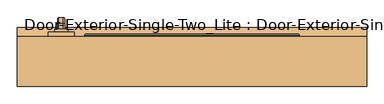
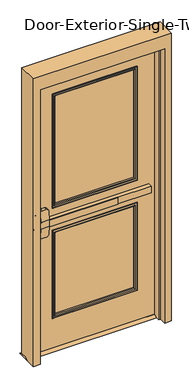
"""IFC4 building model written with IfcOpenShell, lengths in millimetres: door geometry, Door-Exterior-Single-Two_Lite : Door-Exterior-Single-Two_Lite."""

from ifc_helpers import new_model, si_unit, point, frame, frame_2d, origin, place, context, project, spatial, polyline, circle_curve, ellipse_curve, trimmed, segment, composite_curve, outline, extrude, faceted_brep, source, transform, mapped, element, save
from ifc_brep_helpers import plane_surface, cylinder_surface, revolved_surface, advanced_brep


def door_exterior_single_two_lite_door_exterior_single_two_lite_ed95932a(model_context):
    return source(origin(), model_context, "Body", "SolidModel", [
        extrude(outline(polyline([(112.7125, 12.7), (157.1625, 12.7), (182.5625, 0.0), (87.3125, 0.0), (112.7125, 12.7)])), frame((-508.0, 0.0, 0.0), z_axis=(1.0, 0.0, 0.0), x_axis=(0.0, 1.0, 0.0)), (0.0, 0.0, 1.0), 1016.0),
        extrude(outline(polyline([(150.2833333, 74.6125), (-349.25, 74.6125), (-349.25, 80.9625), (150.2833333, 80.9625), (150.2833333, 74.6125)])), frame((0.0, 0.0, 990.6), z_axis=(0.0, 0.0, 1.0), x_axis=(1.0, 0.0, 0.0)), (0.0, 0.0, 1.0), 50.8),
        advanced_brep(
        [(-412.75, 80.9625, 1041.4), (-412.75, 80.9625, 990.6), (-349.25, 80.9625, 990.6), (400.05, 80.9625, 990.6), (400.05, 80.9625, 1041.4), (-349.25, 80.9625, 1041.4), (400.05, 112.7125, 1041.4), (400.05, 112.7125, 990.6), (-349.25, 112.7125, 990.6), (-349.25, 112.7125, 927.1), (-368.3, 112.7125, 908.05), (-393.7, 112.7125, 908.05), (-412.75, 112.7125, 927.1), (-412.75, 112.7125, 1104.9), (-393.7, 112.7125, 1123.95), (-368.3, 112.7125, 1123.95), (-349.25, 112.7125, 1104.9), (-349.25, 112.7125, 1041.4), (-349.25, 84.1377467, 1041.4), (-412.75, 84.1377467, 1041.4), (-412.75, 89.1479269, 1104.9), (-412.75, 89.1479269, 927.1), (-412.75, 84.1377467, 990.6), (-349.25, 84.1377467, 990.6), (-349.25, 89.1479269, 927.1), (-349.25, 89.1479269, 1104.9), (-393.7, 90.650981, 1123.95), (-368.3, 90.650981, 1123.95), (-368.3, 90.650981, 908.05), (-393.7, 90.650981, 908.05)],
        [
            (0, 1),
            (1, 2),
            (2, 3),
            (3, 4),
            (4, 5),
            (5, 0),
            (6, 7),
            (7, 8),
            (8, 9),
            (9, 10, circle_curve(frame((-368.3, 112.7125, 927.1), z_axis=(0.0, 1.0, 0.0), x_axis=(1.0, 0.0, 0.0)), 19.05)),
            (10, 11),
            (11, 12, circle_curve(frame((-393.7, 112.7125, 927.1), z_axis=(0.0, 1.0, 0.0), x_axis=(1.0, 0.0, 0.0)), 19.05)),
            (12, 13),
            (13, 14, circle_curve(frame((-393.7, 112.7125, 1104.9), z_axis=(0.0, 1.0, 0.0), x_axis=(1.0, 0.0, 0.0)), 19.05)),
            (14, 15),
            (15, 16, circle_curve(frame((-368.3, 112.7125, 1104.9), z_axis=(0.0, 1.0, 0.0), x_axis=(1.0, 0.0, 0.0)), 19.05)),
            (16, 17),
            (17, 6),
            (4, 6),
            (17, 18),
            (18, 19),
            (19, 0),
            (19, 20),
            (20, 13),
            (12, 21),
            (21, 22),
            (22, 1),
            (7, 3),
            (22, 23),
            (23, 8),
            (23, 24),
            (24, 9),
            (16, 25),
            (25, 18),
            (14, 26),
            (26, 27),
            (27, 15),
            (10, 28),
            (28, 29),
            (29, 11),
            (24, 28, ellipse_curve(frame((-368.3, 89.1479269, 927.1), z_axis=(0.0, 0.9969018152893365, 0.07865602756830282), x_axis=(0.0, -0.07865602756830208, 0.9969018152893365)), 19.1092038, 19.05)),
            (27, 25, ellipse_curve(frame((-368.3, 89.1479269, 1104.9), z_axis=(0.0, 0.9969018152893376, -0.07865602756828934), x_axis=(0.0, -0.078656027568288, -0.9969018152893377)), 19.1092038, 19.05)),
            (20, 26, ellipse_curve(frame((-393.7, 89.1479269, 1104.9), z_axis=(0.0, 0.9969018152893376, -0.07865602756828934), x_axis=(0.0, -0.078656027568288, -0.9969018152893377)), 19.1092038, 19.05)),
            (29, 21, ellipse_curve(frame((-393.7, 89.1479269, 927.1), z_axis=(0.0, 0.9969018152893365, 0.07865602756830282), x_axis=(0.0, -0.07865602756830208, 0.9969018152893365)), 19.1092038, 19.05)),
        ],
        [
            plane_surface(frame((-412.75, 80.9625, 1041.4), z_axis=(0.0, -1.0, 0.0), x_axis=(-1.0, 0.0, 0.0))),
            plane_surface(frame((-412.75, 112.7125, 1041.4), z_axis=(0.0, 1.0, 0.0), x_axis=(1.0, 0.0, 0.0))),
            plane_surface(frame((400.05, 80.9625, 1041.4), z_axis=(0.0, 0.0, 1.0), x_axis=(0.0, 1.0, 0.0))),
            plane_surface(frame((-412.75, 80.9625, 1041.4), z_axis=(-1.0, 0.0, 0.0), x_axis=(0.0, 1.0, 0.0))),
            plane_surface(frame((-412.75, 80.9625, 990.6), z_axis=(0.0, 0.0, -1.0), x_axis=(0.0, 1.0, 0.0))),
            plane_surface(frame((400.05, 80.9625, 990.6), z_axis=(1.0, 0.0, 0.0), x_axis=(0.0, 1.0, 0.0))),
            plane_surface(frame((-349.25, 84.1377467, 927.1), z_axis=(1.0, 0.0, 0.0), x_axis=(0.0, 1.0, 0.0))),
            plane_surface(frame((-368.3, 84.1377467, 1123.95), z_axis=(0.0, 0.0, 1.0), x_axis=(0.0, 1.0, 0.0))),
            plane_surface(frame((-393.7, 84.1377467, 908.05), z_axis=(0.0, 0.0, -1.0), x_axis=(0.0, 1.0, 0.0))),
            cylinder_surface(frame((-368.3, 112.7125, 927.1), z_axis=(0.0, -1.0, 0.0), x_axis=(1.0, 0.0, 0.0)), 19.05),
            cylinder_surface(frame((-368.3, 112.7125, 1104.9), z_axis=(0.0, -1.0, 0.0), x_axis=(1.0, 0.0, 0.0)), 19.05),
            cylinder_surface(frame((-393.7, 112.7125, 1104.9), z_axis=(0.0, -1.0, 0.0), x_axis=(1.0, 0.0, 0.0)), 19.05),
            cylinder_surface(frame((-393.7, 112.7125, 927.1), z_axis=(0.0, -1.0, 0.0), x_axis=(1.0, 0.0, 0.0)), 19.05),
            plane_surface(frame((-349.25, 84.1377467, 1041.4), z_axis=(0.0, -0.9969018152893376, 0.07865602756828934), x_axis=(-1.0, 0.0, 0.0))),
            plane_surface(frame((-349.25, 90.650981, 908.05), z_axis=(0.0, -0.9969018152893365, -0.07865602756830282), x_axis=(-1.0, 0.0, 0.0))),
        ],
        [
            (0, [[1, 2, 3, 4, 5, 6]]),
            (1, [[7, 8, 9, 10, 11, 12, 13, 14, 15, 16, 17, 18]]),
            (2, [[19, -18, 20, 21, 22, -6, -5]]),
            (3, [[-1, -22, 23, 24, -13, 25, 26, 27]]),
            (4, [[28, -3, -2, -27, 29, 30, -8]]),
            (5, [[-4, -28, -7, -19]]),
            (6, [[-9, -30, 31, 32]]),
            (6, [[-17, 33, 34, -20]]),
            (7, [[-15, 35, 36, 37]]),
            (8, [[-11, 38, 39, 40]]),
            (9, [[-10, -32, 41, -38]]),
            (10, [[-16, -37, 42, -33]]),
            (11, [[-14, -24, 43, -35]]),
            (12, [[-12, -40, 44, -25]]),
            (13, [[-21, -34, -42, -36, -43, -23]]),
            (14, [[-26, -44, -39, -41, -31, -29]]),
        ],
    ),
        advanced_brep(
        [(-391.0, 169.8625, 1017.190625), (-391.0, 169.8625, 1014.809375), (-387.428125, 169.8625, 1011.2375), (-374.5715406, 169.8625, 1011.2375), (-371.0, 169.8625, 1014.8090406), (-371.0, 169.8625, 1017.190625), (-374.571875, 169.8625, 1020.7625), (-387.428125, 169.8625, 1020.7625), (-391.0, 169.8625, 887.809375), (-387.428125, 169.8625, 884.2375), (-374.571875, 169.8625, 884.2375), (-371.0, 169.8625, 887.809375), (-371.0, 169.8625, 890.1909594), (-374.5715406, 169.8625, 893.7625), (-387.428125, 169.8625, 893.7625), (-391.0, 169.8625, 890.190625), (-391.0, 195.2625, 1017.190625), (-391.0, 209.153125, 1003.3), (-391.0, 209.153125, 901.7), (-391.0, 195.2625, 887.809375), (-391.0, 195.2625, 890.190625), (-391.0, 206.771875, 901.7), (-391.0, 206.771875, 1003.3), (-391.0, 195.2625, 1014.809375), (-387.428125, 195.2625, 1011.2375), (-374.5715406, 195.2625, 1011.2375), (-371.0, 195.2625, 1014.8090406), (-371.0, 206.7715406, 1003.3), (-371.0, 206.7715406, 901.7), (-371.0, 195.2625, 890.1909594), (-371.0, 195.2625, 887.809375), (-371.0, 209.153125, 901.7), (-371.0, 209.153125, 1003.3), (-371.0, 195.2625, 1017.190625), (-374.571875, 195.2625, 1020.7625), (-387.428125, 195.2625, 1020.7625), (-387.428125, 203.2, 1003.3), (-374.5715406, 203.2, 1003.3), (-374.571875, 212.725, 1003.3), (-387.428125, 212.725, 1003.3), (-387.428125, 203.2, 901.7), (-374.5715406, 203.2, 901.7), (-374.571875, 212.725, 901.7), (-387.428125, 212.725, 901.7), (-387.428125, 195.2625, 893.7625), (-374.5715406, 195.2625, 893.7625), (-374.571875, 195.2625, 884.2375), (-387.428125, 195.2625, 884.2375)],
        [
            (0, 1),
            (1, 2, circle_curve(frame((-387.428125, 169.8625, 1014.809375), z_axis=(0.0, -1.0, 0.0), x_axis=(0.0, 0.0, 1.0)), 3.571875)),
            (2, 3),
            (3, 4, circle_curve(frame((-374.5715406, 169.8625, 1014.8090406), z_axis=(0.0, -1.0, 0.0), x_axis=(0.0, 0.0, 1.0)), 3.5715406)),
            (4, 5),
            (5, 6, circle_curve(frame((-374.571875, 169.8625, 1017.190625), z_axis=(0.0, -1.0, 0.0), x_axis=(0.0, 0.0, 1.0)), 3.571875)),
            (6, 7),
            (7, 0, circle_curve(frame((-387.428125, 169.8625, 1017.190625), z_axis=(0.0, -1.0, 0.0), x_axis=(0.0, 0.0, 1.0)), 3.571875)),
            (8, 9, circle_curve(frame((-387.428125, 169.8625, 887.809375), z_axis=(0.0, -1.0, 0.0), x_axis=(0.0, 0.0, -1.0)), 3.571875)),
            (9, 10),
            (10, 11, circle_curve(frame((-374.571875, 169.8625, 887.809375), z_axis=(0.0, -1.0, 0.0), x_axis=(0.0, 0.0, -1.0)), 3.571875)),
            (11, 12),
            (12, 13, circle_curve(frame((-374.5715406, 169.8625, 890.1909594), z_axis=(0.0, -1.0, 0.0), x_axis=(0.0, 0.0, -1.0)), 3.5715406)),
            (13, 14),
            (14, 15, circle_curve(frame((-387.428125, 169.8625, 890.190625), z_axis=(0.0, -1.0, 0.0), x_axis=(0.0, 0.0, -1.0)), 3.571875)),
            (15, 8),
            (0, 16),
            (16, 17, circle_curve(frame((-391.0, 195.2625, 1003.3), z_axis=(-1.0, 0.0, 0.0), x_axis=(0.0, 0.0, 1.0)), 13.890625)),
            (17, 18),
            (18, 19, circle_curve(frame((-391.0, 195.2625, 901.7), z_axis=(-1.0, 0.0, 0.0), x_axis=(0.0, 1.0, 0.0)), 13.890625)),
            (19, 8),
            (15, 20),
            (20, 21, circle_curve(frame((-391.0, 195.2625, 901.7), z_axis=(1.0, 0.0, 0.0), x_axis=(0.0, 1.0, 0.0)), 11.509375)),
            (21, 22),
            (22, 23, circle_curve(frame((-391.0, 195.2625, 1003.3), z_axis=(1.0, 0.0, 0.0), x_axis=(0.0, 0.0, 1.0)), 11.509375)),
            (23, 1),
            (23, 24, circle_curve(frame((-387.428125, 195.2625, 1014.809375), z_axis=(0.0, -1.0, 0.0), x_axis=(0.0, 0.0, 1.0)), 3.571875)),
            (24, 2),
            (24, 25),
            (25, 3),
            (25, 26, circle_curve(frame((-374.5715406, 195.2625, 1014.8090406), z_axis=(0.0, -1.0, 0.0), x_axis=(0.0, 0.0, 1.0)), 3.5715406)),
            (26, 4),
            (26, 27, circle_curve(frame((-371.0, 195.2625, 1003.3), z_axis=(-1.0, 0.0, 0.0), x_axis=(0.0, 0.0, 1.0)), 11.5090406)),
            (27, 28),
            (28, 29, circle_curve(frame((-371.0, 195.2625, 901.7), z_axis=(-1.0, 0.0, 0.0), x_axis=(0.0, 1.0, 0.0)), 11.5090406)),
            (29, 12),
            (11, 30),
            (30, 31, circle_curve(frame((-371.0, 195.2625, 901.7), z_axis=(1.0, 0.0, 0.0), x_axis=(0.0, 1.0, 0.0)), 13.890625)),
            (31, 32),
            (32, 33, circle_curve(frame((-371.0, 195.2625, 1003.3), z_axis=(1.0, 0.0, 0.0), x_axis=(0.0, 0.0, 1.0)), 13.890625)),
            (33, 5),
            (33, 34, circle_curve(frame((-374.571875, 195.2625, 1017.190625), z_axis=(0.0, -1.0, 0.0), x_axis=(0.0, 0.0, 1.0)), 3.571875)),
            (34, 6),
            (34, 35),
            (35, 7),
            (35, 16, circle_curve(frame((-387.428125, 195.2625, 1017.190625), z_axis=(0.0, -1.0, 0.0), x_axis=(0.0, 0.0, 1.0)), 3.571875)),
            (36, 24, circle_curve(frame((-387.428125, 195.2625, 1003.3), z_axis=(1.0, 0.0, 0.0), x_axis=(0.0, 0.0, 1.0)), 7.9375)),
            (22, 36, circle_curve(frame((-387.428125, 206.771875, 1003.3), z_axis=(0.0, 0.0, 1.0), x_axis=(0.0, 1.0, 0.0)), 3.571875)),
            (37, 25, circle_curve(frame((-374.5715406, 195.2625, 1003.3), z_axis=(1.0, 0.0, 0.0), x_axis=(0.0, 0.0, 1.0)), 7.9375)),
            (36, 37),
            (37, 27, circle_curve(frame((-374.5715406, 206.7715406, 1003.3), z_axis=(0.0, 0.0, 1.0), x_axis=(0.0, 1.0, 0.0)), 3.5715406)),
            (38, 34, circle_curve(frame((-374.571875, 195.2625, 1003.3), z_axis=(1.0, 0.0, 0.0), x_axis=(0.0, 0.0, 1.0)), 17.4625)),
            (32, 38, circle_curve(frame((-374.571875, 209.153125, 1003.3), z_axis=(0.0, 0.0, 1.0), x_axis=(0.0, 1.0, 0.0)), 3.571875)),
            (39, 35, circle_curve(frame((-387.428125, 195.2625, 1003.3), z_axis=(1.0, 0.0, 0.0), x_axis=(0.0, 0.0, 1.0)), 17.4625)),
            (38, 39),
            (39, 17, circle_curve(frame((-387.428125, 209.153125, 1003.3), z_axis=(0.0, 0.0, 1.0), x_axis=(0.0, 1.0, 0.0)), 3.571875)),
            (21, 40, circle_curve(frame((-387.428125, 206.771875, 901.7), z_axis=(0.0, 0.0, 1.0), x_axis=(0.0, 1.0, 0.0)), 3.571875)),
            (40, 36),
            (40, 41),
            (41, 37),
            (41, 28, circle_curve(frame((-374.5715406, 206.7715406, 901.7), z_axis=(0.0, 0.0, 1.0), x_axis=(0.0, 1.0, 0.0)), 3.5715406)),
            (31, 42, circle_curve(frame((-374.571875, 209.153125, 901.7), z_axis=(0.0, 0.0, 1.0), x_axis=(0.0, 1.0, 0.0)), 3.571875)),
            (42, 38),
            (42, 43),
            (43, 39),
            (43, 18, circle_curve(frame((-387.428125, 209.153125, 901.7), z_axis=(0.0, 0.0, 1.0), x_axis=(0.0, 1.0, 0.0)), 3.571875)),
            (44, 40, circle_curve(frame((-387.428125, 195.2625, 901.7), z_axis=(1.0, 0.0, 0.0), x_axis=(0.0, 1.0, 0.0)), 7.9375)),
            (20, 44, circle_curve(frame((-387.428125, 195.2625, 890.190625), z_axis=(0.0, 1.0, 0.0), x_axis=(0.0, 0.0, -1.0)), 3.571875)),
            (45, 41, circle_curve(frame((-374.5715406, 195.2625, 901.7), z_axis=(1.0, 0.0, 0.0), x_axis=(0.0, 1.0, 0.0)), 7.9375)),
            (44, 45),
            (45, 29, circle_curve(frame((-374.5715406, 195.2625, 890.1909594), z_axis=(0.0, 1.0, 0.0), x_axis=(0.0, 0.0, -1.0)), 3.5715406)),
            (46, 42, circle_curve(frame((-374.571875, 195.2625, 901.7), z_axis=(1.0, 0.0, 0.0), x_axis=(0.0, 1.0, 0.0)), 17.4625)),
            (30, 46, circle_curve(frame((-374.571875, 195.2625, 887.809375), z_axis=(0.0, 1.0, 0.0), x_axis=(0.0, 0.0, -1.0)), 3.571875)),
            (47, 43, circle_curve(frame((-387.428125, 195.2625, 901.7), z_axis=(1.0, 0.0, 0.0), x_axis=(0.0, 1.0, 0.0)), 17.4625)),
            (46, 47),
            (47, 19, circle_curve(frame((-387.428125, 195.2625, 887.809375), z_axis=(0.0, 1.0, 0.0), x_axis=(0.0, 0.0, -1.0)), 3.571875)),
            (14, 44),
            (13, 45),
            (10, 46),
            (9, 47),
        ],
        [
            plane_surface(frame((-381.0, 169.8625, 1016.0), z_axis=(0.0, -1.0, 0.0), x_axis=(1.0, 0.0, 0.0))),
            plane_surface(frame((-381.0, 169.8625, 889.0), z_axis=(0.0, -1.0, 0.0), x_axis=(1.0, 0.0, 0.0))),
            plane_surface(frame((-391.0, 169.8625, 1017.190625), z_axis=(-1.0, 0.0, 0.0), x_axis=(0.0, 1.0, 0.0))),
            cylinder_surface(frame((-387.428125, 169.8625, 1014.809375), z_axis=(0.0, -1.0, 0.0), x_axis=(0.0, 0.0, 1.0)), 3.571875),
            plane_surface(frame((-387.428125, 169.8625, 1011.2375), z_axis=(0.0, 0.0, -1.0), x_axis=(0.0, 1.0, 0.0))),
            cylinder_surface(frame((-374.5715406, 169.8625, 1014.8090406), z_axis=(0.0, -1.0, 0.0), x_axis=(0.0, 0.0, 1.0)), 3.5715406),
            plane_surface(frame((-371.0, 169.8625, 1014.8090406), z_axis=(1.0, 0.0, 0.0), x_axis=(0.0, 1.0, 0.0))),
            cylinder_surface(frame((-374.571875, 169.8625, 1017.190625), z_axis=(0.0, -1.0, 0.0), x_axis=(0.0, 0.0, 1.0)), 3.571875),
            plane_surface(frame((-374.571875, 169.8625, 1020.7625), z_axis=(0.0, 0.0, 1.0), x_axis=(0.0, 1.0, 0.0))),
            cylinder_surface(frame((-387.428125, 169.8625, 1017.190625), z_axis=(0.0, -1.0, 0.0), x_axis=(0.0, 0.0, 1.0)), 3.571875),
            revolved_surface(trimmed(ellipse_curve(frame((-387.428125, 195.2625, 1014.809375), z_axis=(0.0, -1.0, 0.0), x_axis=(0.0, 0.0, 1.0)), 3.571875, 3.571875), [point((-391.0, 195.2625, 1014.809375))], [point((-387.428125, 195.2625, 1011.2375))], True, "CARTESIAN"), (-381.0, 195.2625, 1003.3), (-1.0, 0.0, 0.0)),
            revolved_surface(polyline([(-387.428125, 195.2625, 1011.2375), (-374.5715406, 195.2625, 1011.2375)]), (-381.0, 195.2625, 1003.3), (-1.0, 0.0, 0.0)),
            revolved_surface(trimmed(ellipse_curve(frame((-374.5715406, 195.2625, 1014.8090406), z_axis=(0.0, -1.0, 0.0), x_axis=(0.0, 0.0, 1.0)), 3.5715406, 3.5715406), [point((-374.5715406, 195.2625, 1011.2375))], [point((-371.0, 195.2625, 1014.8090406))], True, "CARTESIAN"), (-381.0, 195.2625, 1003.3), (-1.0, 0.0, 0.0)),
            revolved_surface(trimmed(ellipse_curve(frame((-374.571875, 195.2625, 1017.190625), z_axis=(0.0, -1.0, 0.0), x_axis=(0.0, 0.0, 1.0)), 3.571875, 3.571875), [point((-371.0, 195.2625, 1017.190625))], [point((-374.571875, 195.2625, 1020.7625))], True, "CARTESIAN"), (-381.0, 195.2625, 1003.3), (-1.0, 0.0, 0.0)),
            cylinder_surface(frame((-381.0, 195.2625, 1003.3), z_axis=(-1.0, 0.0, 0.0), x_axis=(0.0, 0.0, 1.0)), 17.4625),
            revolved_surface(trimmed(ellipse_curve(frame((-387.428125, 195.2625, 1017.190625), z_axis=(0.0, -1.0, 0.0), x_axis=(0.0, 0.0, 1.0)), 3.571875, 3.571875), [point((-387.428125, 195.2625, 1020.7625))], [point((-391.0, 195.2625, 1017.190625))], True, "CARTESIAN"), (-381.0, 195.2625, 1003.3), (-1.0, 0.0, 0.0)),
            cylinder_surface(frame((-387.428125, 206.771875, 1003.3), z_axis=(0.0, 0.0, 1.0), x_axis=(0.0, 1.0, 0.0)), 3.571875),
            plane_surface(frame((-387.428125, 203.2, 1003.3), z_axis=(0.0, -1.0, 0.0), x_axis=(0.0, 0.0, -1.0))),
            cylinder_surface(frame((-374.5715406, 206.7715406, 1003.3), z_axis=(0.0, 0.0, 1.0), x_axis=(0.0, 1.0, 0.0)), 3.5715406),
            cylinder_surface(frame((-374.571875, 209.153125, 1003.3), z_axis=(0.0, 0.0, 1.0), x_axis=(0.0, 1.0, 0.0)), 3.571875),
            plane_surface(frame((-374.571875, 212.725, 1003.3), z_axis=(0.0, 1.0, 0.0), x_axis=(0.0, 0.0, -1.0))),
            cylinder_surface(frame((-387.428125, 209.153125, 1003.3), z_axis=(0.0, 0.0, 1.0), x_axis=(0.0, 1.0, 0.0)), 3.571875),
            revolved_surface(trimmed(ellipse_curve(frame((-387.428125, 206.771875, 901.7), z_axis=(0.0, 0.0, 1.0), x_axis=(0.0, 1.0, 0.0)), 3.571875, 3.571875), [point((-391.0, 206.771875, 901.7))], [point((-387.428125, 203.2, 901.7))], True, "CARTESIAN"), (-381.0, 195.2625, 901.7), (-1.0, 0.0, 0.0)),
            revolved_surface(polyline([(-387.428125, 203.2, 901.7), (-374.5715406, 203.2, 901.7)]), (-381.0, 195.2625, 901.7), (-1.0, 0.0, 0.0)),
            revolved_surface(trimmed(ellipse_curve(frame((-374.5715406, 206.7715406, 901.7), z_axis=(0.0, 0.0, 1.0), x_axis=(0.0, 1.0, 0.0)), 3.5715406, 3.5715406), [point((-374.5715406, 203.2, 901.7))], [point((-371.0, 206.7715406, 901.7))], True, "CARTESIAN"), (-381.0, 195.2625, 901.7), (-1.0, 0.0, 0.0)),
            revolved_surface(trimmed(ellipse_curve(frame((-374.571875, 209.153125, 901.7), z_axis=(0.0, 0.0, 1.0), x_axis=(0.0, 1.0, 0.0)), 3.571875, 3.571875), [point((-371.0, 209.153125, 901.7))], [point((-374.571875, 212.725, 901.7))], True, "CARTESIAN"), (-381.0, 195.2625, 901.7), (-1.0, 0.0, 0.0)),
            cylinder_surface(frame((-381.0, 195.2625, 901.7), z_axis=(-1.0, 0.0, 0.0), x_axis=(0.0, 1.0, 0.0)), 17.4625),
            revolved_surface(trimmed(ellipse_curve(frame((-387.428125, 209.153125, 901.7), z_axis=(0.0, 0.0, 1.0), x_axis=(0.0, 1.0, 0.0)), 3.571875, 3.571875), [point((-387.428125, 212.725, 901.7))], [point((-391.0, 209.153125, 901.7))], True, "CARTESIAN"), (-381.0, 195.2625, 901.7), (-1.0, 0.0, 0.0)),
            cylinder_surface(frame((-387.428125, 195.2625, 890.190625), z_axis=(0.0, 1.0, 0.0), x_axis=(0.0, 0.0, -1.0)), 3.571875),
            plane_surface(frame((-387.428125, 195.2625, 893.7625), z_axis=(0.0, 0.0, 1.0), x_axis=(0.0, -1.0, 0.0))),
            cylinder_surface(frame((-374.5715406, 195.2625, 890.1909594), z_axis=(0.0, 1.0, 0.0), x_axis=(0.0, 0.0, -1.0)), 3.5715406),
            cylinder_surface(frame((-374.571875, 195.2625, 887.809375), z_axis=(0.0, 1.0, 0.0), x_axis=(0.0, 0.0, -1.0)), 3.571875),
            plane_surface(frame((-374.571875, 195.2625, 884.2375), z_axis=(0.0, 0.0, -1.0), x_axis=(0.0, -1.0, 0.0))),
            cylinder_surface(frame((-387.428125, 195.2625, 887.809375), z_axis=(0.0, 1.0, 0.0), x_axis=(0.0, 0.0, -1.0)), 3.571875),
        ],
        [
            (0, [[1, 2, 3, 4, 5, 6, 7, 8]]),
            (1, [[9, 10, 11, 12, 13, 14, 15, 16]]),
            (2, [[-1, 17, 18, 19, 20, 21, -16, 22, 23, 24, 25, 26]]),
            (3, [[-2, -26, 27, 28]]),
            (4, [[-3, -28, 29, 30]]),
            (5, [[-4, -30, 31, 32]]),
            (6, [[-5, -32, 33, 34, 35, 36, -12, 37, 38, 39, 40, 41]]),
            (7, [[-6, -41, 42, 43]]),
            (8, [[-7, -43, 44, 45]]),
            (9, [[-8, -45, 46, -17]]),
            (10, [[47, -27, -25, 48]]),
            (11, [[49, -29, -47, 50]]),
            (12, [[-33, -31, -49, 51]]),
            (13, [[52, -42, -40, 53]]),
            (14, [[54, -44, -52, 55]]),
            (15, [[-18, -46, -54, 56]]),
            (16, [[-48, -24, 57, 58]]),
            (17, [[-50, -58, 59, 60]]),
            (18, [[-51, -60, 61, -34]]),
            (19, [[-53, -39, 62, 63]]),
            (20, [[-55, -63, 64, 65]]),
            (21, [[-56, -65, 66, -19]]),
            (22, [[67, -57, -23, 68]]),
            (23, [[69, -59, -67, 70]]),
            (24, [[-35, -61, -69, 71]]),
            (25, [[72, -62, -38, 73]]),
            (26, [[74, -64, -72, 75]]),
            (27, [[-20, -66, -74, 76]]),
            (28, [[-68, -22, -15, 77]]),
            (29, [[-70, -77, -14, 78]]),
            (30, [[-71, -78, -13, -36]]),
            (31, [[-73, -37, -11, 79]]),
            (32, [[-75, -79, -10, 80]]),
            (33, [[-76, -80, -9, -21]]),
        ],
    ),
        extrude(outline(composite_curve([segment(trimmed(circle_curve(frame_2d((1117.6, -381.0)), 19.0), [point((1117.6, -400.0))], [point((1117.6, -362.0))], False, "CARTESIAN"), True, "CONTINUOUS"), segment(trimmed(circle_curve(frame_2d((1117.6, -381.0)), 19.0), [point((1117.6, -362.0))], [point((1117.6, -400.0))], False, "CARTESIAN"), True, "CONTINUOUS")], self_intersect=False)), frame((0.0, 169.8625, 0.0), z_axis=(0.0, 1.0, 0.0), x_axis=(0.0, 0.0, 1.0)), (0.0, 0.0, 1.0), 8.73125),
        extrude(outline(composite_curve([segment(trimmed(circle_curve(frame_2d((1113.0338574, -381.0)), 89.3016225), [point((1193.8, -342.9))], [point((1193.8, -419.1))], False, "CARTESIAN"), True, "CONTINUOUS"), segment(polyline([(1193.8, -419.1), (838.2, -419.1)]), True, "CONTINUOUS"), segment(trimmed(circle_curve(frame_2d((918.9661426, -381.0)), 89.3016225), [point((838.2, -419.1))], [point((838.2, -342.9))], False, "CARTESIAN"), True, "CONTINUOUS"), segment(polyline([(838.2, -342.9), (1193.8, -342.9)]), True, "CONTINUOUS")], self_intersect=False)), frame((0.0, 157.1625, 0.0), z_axis=(0.0, 1.0, 0.0), x_axis=(0.0, 0.0, 1.0)), (0.0, 0.0, 1.0), 12.7),
        faceted_brep([(457.2, 107.95, 0.0), (457.2, 157.1625, 0.0), (508.0, 157.1625, 0.0), (508.0, 11.1125, 0.0), (457.2, 11.1125, 0.0), (457.2, 60.325, 0.0), (441.325, 60.325, 0.0), (441.325, 107.95, 0.0), (457.2, 107.95, 2133.6), (457.2, 157.1625, 2133.6), (-457.2, 157.1625, 2133.6), (-457.2, 157.1625, 0.0), (-508.0, 157.1625, 0.0), (-508.0, 157.1625, 2235.2), (508.0, 157.1625, 2235.2), (508.0, 11.1125, 2235.2), (-508.0, 11.1125, 2235.2), (-508.0, 11.1125, 0.0), (-457.2, 11.1125, 0.0), (-457.2, 11.1125, 2133.6), (457.2, 11.1125, 2133.6), (457.2, 60.325, 2133.6), (-457.2, 60.325, 2133.6), (-457.2, 60.325, 0.0), (-441.325, 60.325, 0.0), (-441.325, 60.325, 2117.725), (441.325, 60.325, 2117.725), (441.325, 107.95, 2117.725), (-441.325, 107.95, 2117.725), (-441.325, 107.95, 0.0), (-457.2, 107.95, 0.0), (-457.2, 107.95, 2133.6)], [[[0, 1, 2, 3, 4, 5, 6, 7]], [[1, 0, 8, 9]], [[2, 1, 9, 10, 11, 12, 13, 14]], [[3, 2, 14, 15]], [[4, 3, 15, 16, 17, 18, 19, 20]], [[5, 4, 20, 21]], [[6, 5, 21, 22, 23, 24, 25, 26]], [[7, 6, 26, 27]], [[0, 7, 27, 28, 29, 30, 31, 8]], [[9, 8, 31, 10]], [[20, 19, 22, 21]], [[26, 25, 28, 27]], [[12, 11, 30, 29, 24, 23, 18, 17]], [[11, 10, 31, 30]], [[13, 12, 17, 16]], [[19, 18, 23, 22]], [[25, 24, 29, 28]], [[15, 14, 13, 16]]]),
        extrude(outline(polyline([(2133.6, -457.2), (12.7, -457.2), (12.7, 457.2), (2133.6, 457.2), (2133.6, -457.2)]), holes=[polyline([(1981.2, -304.8), (1981.2, 304.8), (1111.25, 304.8), (1111.25, -304.8), (1981.2, -304.8)]), polyline([(920.75, -304.8), (920.75, 304.8), (254.0, 304.8), (254.0, -304.8), (920.75, -304.8)])]), frame((0.0, 112.7125, 0.0), z_axis=(0.0, 1.0, 0.0), x_axis=(0.0, 0.0, 1.0)), (0.0, 0.0, 1.0), 44.45),
        extrude(outline(polyline([(304.8, 125.4125), (-304.8, 125.4125), (-304.8, 144.4625), (304.8, 144.4625), (304.8, 125.4125)])), frame((0.0, 0.0, 1111.25), z_axis=(0.0, 0.0, 1.0), x_axis=(1.0, 0.0, 0.0)), (0.0, 0.0, 1.0), 869.95),
        extrude(outline(polyline([(304.8, 125.4125), (-304.8, 125.4125), (-304.8, 144.4625), (304.8, 144.4625), (304.8, 125.4125)])), frame((0.0, 0.0, 254.0), z_axis=(0.0, 0.0, 1.0), x_axis=(1.0, 0.0, 0.0)), (0.0, 0.0, 1.0), 666.75),
        advanced_brep(
        [(304.8, 125.4125, 920.75), (304.8, 112.7125, 920.75), (304.8, 112.7125, 254.0), (304.8, 125.4125, 254.0), (292.8, 111.7125, 908.75), (292.8, 125.4125, 908.75), (292.8, 125.4125, 266.0), (292.8, 111.7125, 266.0), (297.8, 106.7125, 913.75), (297.8, 106.7125, 261.0), (312.8, 108.7125, 928.75), (310.8, 106.7125, 926.75), (310.8, 106.7125, 248.0), (312.8, 108.7125, 246.0), (312.8, 112.7125, 928.75), (312.8, 112.7125, 246.0), (-304.8, 112.7125, 254.0), (-304.8, 125.4125, 254.0), (-292.8, 125.4125, 266.0), (-292.8, 111.7125, 266.0), (-297.8, 106.7125, 261.0), (-310.8, 106.7125, 248.0), (-312.8, 108.7125, 246.0), (-312.8, 112.7125, 246.0), (-304.8, 112.7125, 920.75), (-304.8, 125.4125, 920.75), (-292.8, 125.4125, 908.75), (-292.8, 111.7125, 908.75), (-297.8, 106.7125, 913.75), (-310.8, 106.7125, 926.75), (-312.8, 108.7125, 928.75), (-312.8, 112.7125, 928.75)],
        [
            (0, 1),
            (1, 2),
            (2, 3),
            (3, 0),
            (4, 5),
            (5, 6),
            (6, 7),
            (7, 4),
            (8, 4, ellipse_curve(frame((297.8, 111.7125, 913.75), z_axis=(0.7071067811865475, 0.0, -0.7071067811865475), x_axis=(0.7071067811865474, 0.0, 0.7071067811865476)), 7.0710678, 5.0)),
            (7, 9, ellipse_curve(frame((297.8, 111.7125, 261.0), z_axis=(0.7071067811865475, 0.0, 0.7071067811865475), x_axis=(-0.7071067811865474, 0.0, 0.7071067811865476)), 7.0710678, 5.0)),
            (9, 8),
            (10, 11, ellipse_curve(frame((310.8, 108.7125, 926.75), z_axis=(0.7071067811865475, 0.0, -0.7071067811865475), x_axis=(0.7071067811865474, 0.0, 0.7071067811865476)), 2.8284271, 2.0)),
            (11, 12),
            (12, 13, ellipse_curve(frame((310.8, 108.7125, 248.0), z_axis=(0.7071067811865475, 0.0, 0.7071067811865475), x_axis=(-0.7071067811865474, 0.0, 0.7071067811865476)), 2.8284271, 2.0)),
            (13, 10),
            (14, 10),
            (13, 15),
            (15, 14),
            (2, 16),
            (16, 17),
            (17, 3),
            (6, 18),
            (18, 19),
            (19, 7),
            (19, 20, ellipse_curve(frame((-297.8, 111.7125, 261.0), z_axis=(0.7071067811865475, 0.0, -0.7071067811865475), x_axis=(0.7071067811865476, 0.0, 0.7071067811865474)), 7.0710678, 5.0)),
            (20, 9),
            (12, 21),
            (21, 22, ellipse_curve(frame((-310.8, 108.7125, 248.0), z_axis=(0.7071067811865475, 0.0, -0.7071067811865475), x_axis=(0.7071067811865476, 0.0, 0.7071067811865474)), 2.8284271, 2.0)),
            (22, 13),
            (22, 23),
            (23, 15),
            (16, 24),
            (24, 25),
            (25, 17),
            (18, 26),
            (26, 27),
            (27, 19),
            (27, 28, ellipse_curve(frame((-297.8, 111.7125, 913.75), z_axis=(-0.7071067811865475, 0.0, -0.7071067811865475), x_axis=(0.7071067811865474, 0.0, -0.7071067811865476)), 7.0710678, 5.0)),
            (28, 20),
            (21, 29),
            (29, 30, ellipse_curve(frame((-310.8, 108.7125, 926.75), z_axis=(-0.7071067811865475, 0.0, -0.7071067811865475), x_axis=(0.7071067811865474, 0.0, -0.7071067811865476)), 2.8284271, 2.0)),
            (30, 22),
            (30, 31),
            (31, 23),
            (31, 14),
            (1, 24),
            (0, 25),
            (5, 26),
            (4, 27),
            (8, 28),
            (11, 29),
            (10, 30),
        ],
        [
            plane_surface(frame((304.8, 112.7125, 920.75), z_axis=(1.0, 0.0, 0.0), x_axis=(0.0, 0.0, -1.0))),
            plane_surface(frame((292.8, 125.4125, 908.75), z_axis=(-1.0, 0.0, 0.0), x_axis=(0.0, 0.0, -1.0))),
            cylinder_surface(frame((297.8, 111.7125, 920.75), z_axis=(0.0, 0.0, 1.0), x_axis=(1.0, 0.0, 0.0)), 5.0),
            cylinder_surface(frame((310.8, 108.7125, 920.75), z_axis=(0.0, 0.0, 1.0), x_axis=(1.0, 0.0, 0.0)), 2.0),
            plane_surface(frame((312.8, 108.7125, 928.75), z_axis=(1.0, 0.0, 0.0), x_axis=(0.0, 0.0, -1.0))),
            plane_surface(frame((304.8, 112.7125, 254.0), z_axis=(0.0, 0.0, -1.0), x_axis=(-1.0, 0.0, 0.0))),
            plane_surface(frame((292.8, 125.4125, 266.0), z_axis=(0.0, 0.0, 1.0), x_axis=(-1.0, 0.0, 0.0))),
            cylinder_surface(frame((304.8, 111.7125, 261.0), z_axis=(1.0, 0.0, 0.0), x_axis=(0.0, 0.0, -1.0)), 5.0),
            cylinder_surface(frame((304.8, 108.7125, 248.0), z_axis=(1.0, 0.0, 0.0), x_axis=(0.0, 0.0, -1.0)), 2.0),
            plane_surface(frame((312.8, 108.7125, 246.0), z_axis=(0.0, 0.0, -1.0), x_axis=(-1.0, 0.0, 0.0))),
            plane_surface(frame((-304.8, 112.7125, 254.0), z_axis=(-1.0, 0.0, 0.0), x_axis=(0.0, 0.0, 1.0))),
            plane_surface(frame((-292.8, 125.4125, 266.0), z_axis=(1.0, 0.0, 0.0), x_axis=(0.0, 0.0, 1.0))),
            cylinder_surface(frame((-297.8, 111.7125, 254.0), z_axis=(0.0, 0.0, -1.0), x_axis=(-1.0, 0.0, 0.0)), 5.0),
            cylinder_surface(frame((-310.8, 108.7125, 254.0), z_axis=(0.0, 0.0, -1.0), x_axis=(-1.0, 0.0, 0.0)), 2.0),
            plane_surface(frame((-312.8, 108.7125, 246.0), z_axis=(-1.0, 0.0, 0.0), x_axis=(0.0, 0.0, 1.0))),
            plane_surface(frame((-312.8, 112.7125, 928.75), z_axis=(0.0, 1.0, 0.0), x_axis=(1.0, 0.0, 0.0))),
            plane_surface(frame((-304.8, 112.7125, 920.75), z_axis=(0.0, 0.0, 1.0), x_axis=(1.0, 0.0, 0.0))),
            plane_surface(frame((-304.8, 125.4125, 920.75), z_axis=(0.0, 1.0, 0.0), x_axis=(1.0, 0.0, 0.0))),
            plane_surface(frame((-292.8, 125.4125, 908.75), z_axis=(0.0, 0.0, -1.0), x_axis=(1.0, 0.0, 0.0))),
            cylinder_surface(frame((-304.8, 111.7125, 913.75), z_axis=(-1.0, 0.0, 0.0), x_axis=(0.0, 0.0, 1.0)), 5.0),
            plane_surface(frame((-297.8, 106.7125, 913.75), z_axis=(0.0, -1.0, 0.0), x_axis=(1.0, 0.0, 0.0))),
            cylinder_surface(frame((-304.8, 108.7125, 926.75), z_axis=(-1.0, 0.0, 0.0), x_axis=(0.0, 0.0, 1.0)), 2.0),
            plane_surface(frame((-312.8, 108.7125, 928.75), z_axis=(0.0, 0.0, 1.0), x_axis=(1.0, 0.0, 0.0))),
        ],
        [
            (0, [[1, 2, 3, 4]]),
            (1, [[5, 6, 7, 8]]),
            (2, [[9, -8, 10, 11]]),
            (3, [[12, 13, 14, 15]]),
            (4, [[16, -15, 17, 18]]),
            (5, [[-3, 19, 20, 21]]),
            (6, [[-7, 22, 23, 24]]),
            (7, [[-10, -24, 25, 26]]),
            (8, [[-14, 27, 28, 29]]),
            (9, [[-17, -29, 30, 31]]),
            (10, [[-20, 32, 33, 34]]),
            (11, [[-23, 35, 36, 37]]),
            (12, [[-25, -37, 38, 39]]),
            (13, [[-28, 40, 41, 42]]),
            (14, [[-30, -42, 43, 44]]),
            (15, [[-31, -44, 45, -18], [46, -32, -19, -2]]),
            (16, [[-33, -46, -1, 47]]),
            (17, [[-21, -34, -47, -4], [48, -35, -22, -6]]),
            (18, [[-36, -48, -5, 49]]),
            (19, [[-38, -49, -9, 50]]),
            (20, [[51, -40, -27, -13], [-26, -39, -50, -11]]),
            (21, [[-41, -51, -12, 52]]),
            (22, [[-43, -52, -16, -45]]),
        ],
    ),
        advanced_brep(
        [(-304.8, 144.4625, 920.75), (-304.8, 157.1625, 920.75), (-304.8, 157.1625, 254.0), (-304.8, 144.4625, 254.0), (-292.8, 158.1625, 908.75), (-292.8, 144.4625, 908.75), (-292.8, 144.4625, 266.0), (-292.8, 158.1625, 266.0), (-297.8, 163.1625, 913.75), (-297.8, 163.1625, 261.0), (-312.8, 161.1625, 928.75), (-310.8, 163.1625, 926.75), (-310.8, 163.1625, 248.0), (-312.8, 161.1625, 246.0), (-312.8, 157.1625, 928.75), (-312.8, 157.1625, 246.0), (304.8, 157.1625, 254.0), (304.8, 144.4625, 254.0), (292.8, 144.4625, 266.0), (292.8, 158.1625, 266.0), (297.8, 163.1625, 261.0), (310.8, 163.1625, 248.0), (312.8, 161.1625, 246.0), (312.8, 157.1625, 246.0), (304.8, 157.1625, 920.75), (304.8, 144.4625, 920.75), (292.8, 144.4625, 908.75), (292.8, 158.1625, 908.75), (297.8, 163.1625, 913.75), (310.8, 163.1625, 926.75), (312.8, 161.1625, 928.75), (312.8, 157.1625, 928.75)],
        [
            (0, 1),
            (1, 2),
            (2, 3),
            (3, 0),
            (4, 5),
            (5, 6),
            (6, 7),
            (7, 4),
            (8, 4, ellipse_curve(frame((-297.8, 158.1625, 913.75), z_axis=(-0.7071067811865475, 0.0, -0.7071067811865475), x_axis=(-0.7071067811865474, 0.0, 0.7071067811865476)), 7.0710678, 5.0)),
            (7, 9, ellipse_curve(frame((-297.8, 158.1625, 261.0), z_axis=(-0.7071067811865475, 0.0, 0.7071067811865475), x_axis=(0.7071067811865474, 0.0, 0.7071067811865476)), 7.0710678, 5.0)),
            (9, 8),
            (10, 11, ellipse_curve(frame((-310.8, 161.1625, 926.75), z_axis=(-0.7071067811865475, 0.0, -0.7071067811865475), x_axis=(-0.7071067811865474, 0.0, 0.7071067811865476)), 2.8284271, 2.0)),
            (11, 12),
            (12, 13, ellipse_curve(frame((-310.8, 161.1625, 248.0), z_axis=(-0.7071067811865475, 0.0, 0.7071067811865475), x_axis=(0.7071067811865474, 0.0, 0.7071067811865476)), 2.8284271, 2.0)),
            (13, 10),
            (14, 10),
            (13, 15),
            (15, 14),
            (2, 16),
            (16, 17),
            (17, 3),
            (6, 18),
            (18, 19),
            (19, 7),
            (19, 20, ellipse_curve(frame((297.8, 158.1625, 261.0), z_axis=(-0.7071067811865475, 0.0, -0.7071067811865475), x_axis=(-0.7071067811865476, 0.0, 0.7071067811865474)), 7.0710678, 5.0)),
            (20, 9),
            (12, 21),
            (21, 22, ellipse_curve(frame((310.8, 161.1625, 248.0), z_axis=(-0.7071067811865475, 0.0, -0.7071067811865475), x_axis=(-0.7071067811865476, 0.0, 0.7071067811865474)), 2.8284271, 2.0)),
            (22, 13),
            (22, 23),
            (23, 15),
            (16, 24),
            (24, 25),
            (25, 17),
            (18, 26),
            (26, 27),
            (27, 19),
            (27, 28, ellipse_curve(frame((297.8, 158.1625, 913.75), z_axis=(0.7071067811865475, 0.0, -0.7071067811865475), x_axis=(-0.7071067811865474, 0.0, -0.7071067811865476)), 7.0710678, 5.0)),
            (28, 20),
            (21, 29),
            (29, 30, ellipse_curve(frame((310.8, 161.1625, 926.75), z_axis=(0.7071067811865475, 0.0, -0.7071067811865475), x_axis=(-0.7071067811865474, 0.0, -0.7071067811865476)), 2.8284271, 2.0)),
            (30, 22),
            (30, 31),
            (31, 23),
            (31, 14),
            (1, 24),
            (0, 25),
            (5, 26),
            (4, 27),
            (8, 28),
            (11, 29),
            (10, 30),
        ],
        [
            plane_surface(frame((-304.8, 157.1625, 920.75), z_axis=(-1.0, 0.0, 0.0), x_axis=(0.0, 0.0, -1.0))),
            plane_surface(frame((-292.8, 144.4625, 908.75), z_axis=(1.0, 0.0, 0.0), x_axis=(0.0, 0.0, -1.0))),
            cylinder_surface(frame((-297.8, 158.1625, 920.75), z_axis=(0.0, 0.0, 1.0), x_axis=(-1.0, 0.0, 0.0)), 5.0),
            cylinder_surface(frame((-310.8, 161.1625, 920.75), z_axis=(0.0, 0.0, 1.0), x_axis=(-1.0, 0.0, 0.0)), 2.0),
            plane_surface(frame((-312.8, 161.1625, 928.75), z_axis=(-1.0, 0.0, 0.0), x_axis=(0.0, 0.0, -1.0))),
            plane_surface(frame((-304.8, 157.1625, 254.0), z_axis=(0.0, 0.0, -1.0), x_axis=(1.0, 0.0, 0.0))),
            plane_surface(frame((-292.8, 144.4625, 266.0), z_axis=(0.0, 0.0, 1.0), x_axis=(1.0, 0.0, 0.0))),
            cylinder_surface(frame((-304.8, 158.1625, 261.0), z_axis=(-1.0, 0.0, 0.0), x_axis=(0.0, 0.0, -1.0)), 5.0),
            cylinder_surface(frame((-304.8, 161.1625, 248.0), z_axis=(-1.0, 0.0, 0.0), x_axis=(0.0, 0.0, -1.0)), 2.0),
            plane_surface(frame((-312.8, 161.1625, 246.0), z_axis=(0.0, 0.0, -1.0), x_axis=(1.0, 0.0, 0.0))),
            plane_surface(frame((304.8, 157.1625, 254.0), z_axis=(1.0, 0.0, 0.0), x_axis=(0.0, 0.0, 1.0))),
            plane_surface(frame((292.8, 144.4625, 266.0), z_axis=(-1.0, 0.0, 0.0), x_axis=(0.0, 0.0, 1.0))),
            cylinder_surface(frame((297.8, 158.1625, 254.0), z_axis=(0.0, 0.0, -1.0), x_axis=(1.0, 0.0, 0.0)), 5.0),
            cylinder_surface(frame((310.8, 161.1625, 254.0), z_axis=(0.0, 0.0, -1.0), x_axis=(1.0, 0.0, 0.0)), 2.0),
            plane_surface(frame((312.8, 161.1625, 246.0), z_axis=(1.0, 0.0, 0.0), x_axis=(0.0, 0.0, 1.0))),
            plane_surface(frame((312.8, 157.1625, 928.75), z_axis=(0.0, -1.0, 0.0), x_axis=(-1.0, 0.0, 0.0))),
            plane_surface(frame((304.8, 157.1625, 920.75), z_axis=(0.0, 0.0, 1.0), x_axis=(-1.0, 0.0, 0.0))),
            plane_surface(frame((304.8, 144.4625, 920.75), z_axis=(0.0, -1.0, 0.0), x_axis=(-1.0, 0.0, 0.0))),
            plane_surface(frame((292.8, 144.4625, 908.75), z_axis=(0.0, 0.0, -1.0), x_axis=(-1.0, 0.0, 0.0))),
            cylinder_surface(frame((304.8, 158.1625, 913.75), z_axis=(1.0, 0.0, 0.0), x_axis=(0.0, 0.0, 1.0)), 5.0),
            plane_surface(frame((297.8, 163.1625, 913.75), z_axis=(0.0, 1.0, 0.0), x_axis=(-1.0, 0.0, 0.0))),
            cylinder_surface(frame((304.8, 161.1625, 926.75), z_axis=(1.0, 0.0, 0.0), x_axis=(0.0, 0.0, 1.0)), 2.0),
            plane_surface(frame((312.8, 161.1625, 928.75), z_axis=(0.0, 0.0, 1.0), x_axis=(-1.0, 0.0, 0.0))),
        ],
        [
            (0, [[1, 2, 3, 4]]),
            (1, [[5, 6, 7, 8]]),
            (2, [[9, -8, 10, 11]]),
            (3, [[12, 13, 14, 15]]),
            (4, [[16, -15, 17, 18]]),
            (5, [[-3, 19, 20, 21]]),
            (6, [[-7, 22, 23, 24]]),
            (7, [[-10, -24, 25, 26]]),
            (8, [[-14, 27, 28, 29]]),
            (9, [[-17, -29, 30, 31]]),
            (10, [[-20, 32, 33, 34]]),
            (11, [[-23, 35, 36, 37]]),
            (12, [[-25, -37, 38, 39]]),
            (13, [[-28, 40, 41, 42]]),
            (14, [[-30, -42, 43, 44]]),
            (15, [[-31, -44, 45, -18], [46, -32, -19, -2]]),
            (16, [[-33, -46, -1, 47]]),
            (17, [[-21, -34, -47, -4], [48, -35, -22, -6]]),
            (18, [[-36, -48, -5, 49]]),
            (19, [[-38, -49, -9, 50]]),
            (20, [[51, -40, -27, -13], [-26, -39, -50, -11]]),
            (21, [[-41, -51, -12, 52]]),
            (22, [[-43, -52, -16, -45]]),
        ],
    ),
        advanced_brep(
        [(-304.8, 125.4125, 1111.25), (-304.8, 112.7125, 1111.25), (-304.8, 112.7125, 1981.2), (-304.8, 125.4125, 1981.2), (-292.8, 111.7125, 1123.25), (-292.8, 125.4125, 1123.25), (-292.8, 125.4125, 1969.2), (-292.8, 111.7125, 1969.2), (-297.8, 106.7125, 1118.25), (-297.8, 106.7125, 1974.2), (-312.8, 108.7125, 1103.25), (-310.8, 106.7125, 1105.25), (-310.8, 106.7125, 1987.2), (-312.8, 108.7125, 1989.2), (-312.8, 112.7125, 1103.25), (-312.8, 112.7125, 1989.2), (304.8, 112.7125, 1981.2), (304.8, 125.4125, 1981.2), (292.8, 125.4125, 1969.2), (292.8, 111.7125, 1969.2), (297.8, 106.7125, 1974.2), (310.8, 106.7125, 1987.2), (312.8, 108.7125, 1989.2), (312.8, 112.7125, 1989.2), (304.8, 112.7125, 1111.25), (304.8, 125.4125, 1111.25), (292.8, 125.4125, 1123.25), (292.8, 111.7125, 1123.25), (297.8, 106.7125, 1118.25), (310.8, 106.7125, 1105.25), (312.8, 108.7125, 1103.25), (312.8, 112.7125, 1103.25)],
        [
            (0, 1),
            (1, 2),
            (2, 3),
            (3, 0),
            (4, 5),
            (5, 6),
            (6, 7),
            (7, 4),
            (8, 4, ellipse_curve(frame((-297.8, 111.7125, 1118.25), z_axis=(-0.7071067811865475, 0.0, 0.7071067811865475), x_axis=(-0.7071067811865474, 0.0, -0.7071067811865476)), 7.0710678, 5.0)),
            (7, 9, ellipse_curve(frame((-297.8, 111.7125, 1974.2), z_axis=(-0.7071067811865475, 0.0, -0.7071067811865475), x_axis=(0.7071067811865474, 0.0, -0.7071067811865476)), 7.0710678, 5.0)),
            (9, 8),
            (10, 11, ellipse_curve(frame((-310.8, 108.7125, 1105.25), z_axis=(-0.7071067811865475, 0.0, 0.7071067811865475), x_axis=(-0.7071067811865474, 0.0, -0.7071067811865476)), 2.8284271, 2.0)),
            (11, 12),
            (12, 13, ellipse_curve(frame((-310.8, 108.7125, 1987.2), z_axis=(-0.7071067811865475, 0.0, -0.7071067811865475), x_axis=(0.7071067811865474, 0.0, -0.7071067811865476)), 2.8284271, 2.0)),
            (13, 10),
            (14, 10),
            (13, 15),
            (15, 14),
            (2, 16),
            (16, 17),
            (17, 3),
            (6, 18),
            (18, 19),
            (19, 7),
            (19, 20, ellipse_curve(frame((297.8, 111.7125, 1974.2), z_axis=(-0.7071067811865475, 0.0, 0.7071067811865475), x_axis=(-0.7071067811865476, 0.0, -0.7071067811865474)), 7.0710678, 5.0)),
            (20, 9),
            (12, 21),
            (21, 22, ellipse_curve(frame((310.8, 108.7125, 1987.2), z_axis=(-0.7071067811865475, 0.0, 0.7071067811865475), x_axis=(-0.7071067811865476, 0.0, -0.7071067811865474)), 2.8284271, 2.0)),
            (22, 13),
            (22, 23),
            (23, 15),
            (16, 24),
            (24, 25),
            (25, 17),
            (18, 26),
            (26, 27),
            (27, 19),
            (27, 28, ellipse_curve(frame((297.8, 111.7125, 1118.25), z_axis=(0.7071067811865475, 0.0, 0.7071067811865475), x_axis=(-0.7071067811865474, 0.0, 0.7071067811865476)), 7.0710678, 5.0)),
            (28, 20),
            (21, 29),
            (29, 30, ellipse_curve(frame((310.8, 108.7125, 1105.25), z_axis=(0.7071067811865475, 0.0, 0.7071067811865475), x_axis=(-0.7071067811865474, 0.0, 0.7071067811865476)), 2.8284271, 2.0)),
            (30, 22),
            (30, 31),
            (31, 23),
            (31, 14),
            (1, 24),
            (0, 25),
            (5, 26),
            (4, 27),
            (8, 28),
            (11, 29),
            (10, 30),
        ],
        [
            plane_surface(frame((-304.8, 112.7125, 1111.25), z_axis=(-1.0, 0.0, 0.0), x_axis=(0.0, 0.0, 1.0))),
            plane_surface(frame((-292.8, 125.4125, 1123.25), z_axis=(1.0, 0.0, 0.0), x_axis=(0.0, 0.0, 1.0))),
            cylinder_surface(frame((-297.8, 111.7125, 1111.25), z_axis=(0.0, 0.0, -1.0), x_axis=(-1.0, 0.0, 0.0)), 5.0),
            cylinder_surface(frame((-310.8, 108.7125, 1111.25), z_axis=(0.0, 0.0, -1.0), x_axis=(-1.0, 0.0, 0.0)), 2.0),
            plane_surface(frame((-312.8, 108.7125, 1103.25), z_axis=(-1.0, 0.0, 0.0), x_axis=(0.0, 0.0, 1.0))),
            plane_surface(frame((-304.8, 112.7125, 1981.2), z_axis=(0.0, 0.0, 1.0), x_axis=(1.0, 0.0, 0.0))),
            plane_surface(frame((-292.8, 125.4125, 1969.2), z_axis=(0.0, 0.0, -1.0), x_axis=(1.0, 0.0, 0.0))),
            cylinder_surface(frame((-304.8, 111.7125, 1974.2), z_axis=(-1.0, 0.0, 0.0), x_axis=(0.0, 0.0, 1.0)), 5.0),
            cylinder_surface(frame((-304.8, 108.7125, 1987.2), z_axis=(-1.0, 0.0, 0.0), x_axis=(0.0, 0.0, 1.0)), 2.0),
            plane_surface(frame((-312.8, 108.7125, 1989.2), z_axis=(0.0, 0.0, 1.0), x_axis=(1.0, 0.0, 0.0))),
            plane_surface(frame((304.8, 112.7125, 1981.2), z_axis=(1.0, 0.0, 0.0), x_axis=(0.0, 0.0, -1.0))),
            plane_surface(frame((292.8, 125.4125, 1969.2), z_axis=(-1.0, 0.0, 0.0), x_axis=(0.0, 0.0, -1.0))),
            cylinder_surface(frame((297.8, 111.7125, 1981.2), z_axis=(0.0, 0.0, 1.0), x_axis=(1.0, 0.0, 0.0)), 5.0),
            cylinder_surface(frame((310.8, 108.7125, 1981.2), z_axis=(0.0, 0.0, 1.0), x_axis=(1.0, 0.0, 0.0)), 2.0),
            plane_surface(frame((312.8, 108.7125, 1989.2), z_axis=(1.0, 0.0, 0.0), x_axis=(0.0, 0.0, -1.0))),
            plane_surface(frame((312.8, 112.7125, 1103.25), z_axis=(0.0, 1.0, 0.0), x_axis=(-1.0, 0.0, 0.0))),
            plane_surface(frame((304.8, 112.7125, 1111.25), z_axis=(0.0, 0.0, -1.0), x_axis=(-1.0, 0.0, 0.0))),
            plane_surface(frame((304.8, 125.4125, 1111.25), z_axis=(0.0, 1.0, 0.0), x_axis=(-1.0, 0.0, 0.0))),
            plane_surface(frame((292.8, 125.4125, 1123.25), z_axis=(0.0, 0.0, 1.0), x_axis=(-1.0, 0.0, 0.0))),
            cylinder_surface(frame((304.8, 111.7125, 1118.25), z_axis=(1.0, 0.0, 0.0), x_axis=(0.0, 0.0, -1.0)), 5.0),
            plane_surface(frame((297.8, 106.7125, 1118.25), z_axis=(0.0, -1.0, 0.0), x_axis=(-1.0, 0.0, 0.0))),
            cylinder_surface(frame((304.8, 108.7125, 1105.25), z_axis=(1.0, 0.0, 0.0), x_axis=(0.0, 0.0, -1.0)), 2.0),
            plane_surface(frame((312.8, 108.7125, 1103.25), z_axis=(0.0, 0.0, -1.0), x_axis=(-1.0, 0.0, 0.0))),
        ],
        [
            (0, [[1, 2, 3, 4]]),
            (1, [[5, 6, 7, 8]]),
            (2, [[9, -8, 10, 11]]),
            (3, [[12, 13, 14, 15]]),
            (4, [[16, -15, 17, 18]]),
            (5, [[-3, 19, 20, 21]]),
            (6, [[-7, 22, 23, 24]]),
            (7, [[-10, -24, 25, 26]]),
            (8, [[-14, 27, 28, 29]]),
            (9, [[-17, -29, 30, 31]]),
            (10, [[-20, 32, 33, 34]]),
            (11, [[-23, 35, 36, 37]]),
            (12, [[-25, -37, 38, 39]]),
            (13, [[-28, 40, 41, 42]]),
            (14, [[-30, -42, 43, 44]]),
            (15, [[-31, -44, 45, -18], [46, -32, -19, -2]]),
            (16, [[-33, -46, -1, 47]]),
            (17, [[-21, -34, -47, -4], [48, -35, -22, -6]]),
            (18, [[-36, -48, -5, 49]]),
            (19, [[-38, -49, -9, 50]]),
            (20, [[51, -40, -27, -13], [-26, -39, -50, -11]]),
            (21, [[-41, -51, -12, 52]]),
            (22, [[-43, -52, -16, -45]]),
        ],
    ),
        advanced_brep(
        [(-304.8, 144.4625, 1981.2), (-304.8, 157.1625, 1981.2), (-304.8, 157.1625, 1111.25), (-304.8, 144.4625, 1111.25), (-292.8, 158.1625, 1969.2), (-292.8, 144.4625, 1969.2), (-292.8, 144.4625, 1123.25), (-292.8, 158.1625, 1123.25), (-297.8, 163.1625, 1974.2), (-297.8, 163.1625, 1118.25), (-312.8, 161.1625, 1989.2), (-310.8, 163.1625, 1987.2), (-310.8, 163.1625, 1105.25), (-312.8, 161.1625, 1103.25), (-312.8, 157.1625, 1989.2), (-312.8, 157.1625, 1103.25), (304.8, 157.1625, 1111.25), (304.8, 144.4625, 1111.25), (292.8, 144.4625, 1123.25), (292.8, 158.1625, 1123.25), (297.8, 163.1625, 1118.25), (310.8, 163.1625, 1105.25), (312.8, 161.1625, 1103.25), (312.8, 157.1625, 1103.25), (304.8, 157.1625, 1981.2), (304.8, 144.4625, 1981.2), (292.8, 144.4625, 1969.2), (292.8, 158.1625, 1969.2), (297.8, 163.1625, 1974.2), (310.8, 163.1625, 1987.2), (312.8, 161.1625, 1989.2), (312.8, 157.1625, 1989.2)],
        [
            (0, 1),
            (1, 2),
            (2, 3),
            (3, 0),
            (4, 5),
            (5, 6),
            (6, 7),
            (7, 4),
            (8, 4, ellipse_curve(frame((-297.8, 158.1625, 1974.2), z_axis=(-0.7071067811865475, 0.0, -0.7071067811865475), x_axis=(-0.7071067811865474, 0.0, 0.7071067811865476)), 7.0710678, 5.0)),
            (7, 9, ellipse_curve(frame((-297.8, 158.1625, 1118.25), z_axis=(-0.7071067811865475, 0.0, 0.7071067811865475), x_axis=(0.7071067811865474, 0.0, 0.7071067811865476)), 7.0710678, 5.0)),
            (9, 8),
            (10, 11, ellipse_curve(frame((-310.8, 161.1625, 1987.2), z_axis=(-0.7071067811865475, 0.0, -0.7071067811865475), x_axis=(-0.7071067811865474, 0.0, 0.7071067811865476)), 2.8284271, 2.0)),
            (11, 12),
            (12, 13, ellipse_curve(frame((-310.8, 161.1625, 1105.25), z_axis=(-0.7071067811865475, 0.0, 0.7071067811865475), x_axis=(0.7071067811865474, 0.0, 0.7071067811865476)), 2.8284271, 2.0)),
            (13, 10),
            (14, 10),
            (13, 15),
            (15, 14),
            (2, 16),
            (16, 17),
            (17, 3),
            (6, 18),
            (18, 19),
            (19, 7),
            (19, 20, ellipse_curve(frame((297.8, 158.1625, 1118.25), z_axis=(-0.7071067811865475, 0.0, -0.7071067811865475), x_axis=(-0.7071067811865476, 0.0, 0.7071067811865474)), 7.0710678, 5.0)),
            (20, 9),
            (12, 21),
            (21, 22, ellipse_curve(frame((310.8, 161.1625, 1105.25), z_axis=(-0.7071067811865475, 0.0, -0.7071067811865475), x_axis=(-0.7071067811865476, 0.0, 0.7071067811865474)), 2.8284271, 2.0)),
            (22, 13),
            (22, 23),
            (23, 15),
            (16, 24),
            (24, 25),
            (25, 17),
            (18, 26),
            (26, 27),
            (27, 19),
            (27, 28, ellipse_curve(frame((297.8, 158.1625, 1974.2), z_axis=(0.7071067811865475, 0.0, -0.7071067811865475), x_axis=(-0.7071067811865474, 0.0, -0.7071067811865476)), 7.0710678, 5.0)),
            (28, 20),
            (21, 29),
            (29, 30, ellipse_curve(frame((310.8, 161.1625, 1987.2), z_axis=(0.7071067811865475, 0.0, -0.7071067811865475), x_axis=(-0.7071067811865474, 0.0, -0.7071067811865476)), 2.8284271, 2.0)),
            (30, 22),
            (30, 31),
            (31, 23),
            (31, 14),
            (1, 24),
            (0, 25),
            (5, 26),
            (4, 27),
            (8, 28),
            (11, 29),
            (10, 30),
        ],
        [
            plane_surface(frame((-304.8, 157.1625, 1981.2), z_axis=(-1.0, 0.0, 0.0), x_axis=(0.0, 0.0, -1.0))),
            plane_surface(frame((-292.8, 144.4625, 1969.2), z_axis=(1.0, 0.0, 0.0), x_axis=(0.0, 0.0, -1.0))),
            cylinder_surface(frame((-297.8, 158.1625, 1981.2), z_axis=(0.0, 0.0, 1.0), x_axis=(-1.0, 0.0, 0.0)), 5.0),
            cylinder_surface(frame((-310.8, 161.1625, 1981.2), z_axis=(0.0, 0.0, 1.0), x_axis=(-1.0, 0.0, 0.0)), 2.0),
            plane_surface(frame((-312.8, 161.1625, 1989.2), z_axis=(-1.0, 0.0, 0.0), x_axis=(0.0, 0.0, -1.0))),
            plane_surface(frame((-304.8, 157.1625, 1111.25), z_axis=(0.0, 0.0, -1.0), x_axis=(1.0, 0.0, 0.0))),
            plane_surface(frame((-292.8, 144.4625, 1123.25), z_axis=(0.0, 0.0, 1.0), x_axis=(1.0, 0.0, 0.0))),
            cylinder_surface(frame((-304.8, 158.1625, 1118.25), z_axis=(-1.0, 0.0, 0.0), x_axis=(0.0, 0.0, -1.0)), 5.0),
            cylinder_surface(frame((-304.8, 161.1625, 1105.25), z_axis=(-1.0, 0.0, 0.0), x_axis=(0.0, 0.0, -1.0)), 2.0),
            plane_surface(frame((-312.8, 161.1625, 1103.25), z_axis=(0.0, 0.0, -1.0), x_axis=(1.0, 0.0, 0.0))),
            plane_surface(frame((304.8, 157.1625, 1111.25), z_axis=(1.0, 0.0, 0.0), x_axis=(0.0, 0.0, 1.0))),
            plane_surface(frame((292.8, 144.4625, 1123.25), z_axis=(-1.0, 0.0, 0.0), x_axis=(0.0, 0.0, 1.0))),
            cylinder_surface(frame((297.8, 158.1625, 1111.25), z_axis=(0.0, 0.0, -1.0), x_axis=(1.0, 0.0, 0.0)), 5.0),
            cylinder_surface(frame((310.8, 161.1625, 1111.25), z_axis=(0.0, 0.0, -1.0), x_axis=(1.0, 0.0, 0.0)), 2.0),
            plane_surface(frame((312.8, 161.1625, 1103.25), z_axis=(1.0, 0.0, 0.0), x_axis=(0.0, 0.0, 1.0))),
            plane_surface(frame((312.8, 157.1625, 1989.2), z_axis=(0.0, -1.0, 0.0), x_axis=(-1.0, 0.0, 0.0))),
            plane_surface(frame((304.8, 157.1625, 1981.2), z_axis=(0.0, 0.0, 1.0), x_axis=(-1.0, 0.0, 0.0))),
            plane_surface(frame((304.8, 144.4625, 1981.2), z_axis=(0.0, -1.0, 0.0), x_axis=(-1.0, 0.0, 0.0))),
            plane_surface(frame((292.8, 144.4625, 1969.2), z_axis=(0.0, 0.0, -1.0), x_axis=(-1.0, 0.0, 0.0))),
            cylinder_surface(frame((304.8, 158.1625, 1974.2), z_axis=(1.0, 0.0, 0.0), x_axis=(0.0, 0.0, 1.0)), 5.0),
            plane_surface(frame((297.8, 163.1625, 1974.2), z_axis=(0.0, 1.0, 0.0), x_axis=(-1.0, 0.0, 0.0))),
            cylinder_surface(frame((304.8, 161.1625, 1987.2), z_axis=(1.0, 0.0, 0.0), x_axis=(0.0, 0.0, 1.0)), 2.0),
            plane_surface(frame((312.8, 161.1625, 1989.2), z_axis=(0.0, 0.0, 1.0), x_axis=(-1.0, 0.0, 0.0))),
        ],
        [
            (0, [[1, 2, 3, 4]]),
            (1, [[5, 6, 7, 8]]),
            (2, [[9, -8, 10, 11]]),
            (3, [[12, 13, 14, 15]]),
            (4, [[16, -15, 17, 18]]),
            (5, [[-3, 19, 20, 21]]),
            (6, [[-7, 22, 23, 24]]),
            (7, [[-10, -24, 25, 26]]),
            (8, [[-14, 27, 28, 29]]),
            (9, [[-17, -29, 30, 31]]),
            (10, [[-20, 32, 33, 34]]),
            (11, [[-23, 35, 36, 37]]),
            (12, [[-25, -37, 38, 39]]),
            (13, [[-28, 40, 41, 42]]),
            (14, [[-30, -42, 43, 44]]),
            (15, [[-31, -44, 45, -18], [46, -32, -19, -2]]),
            (16, [[-33, -46, -1, 47]]),
            (17, [[-21, -34, -47, -4], [48, -35, -22, -6]]),
            (18, [[-36, -48, -5, 49]]),
            (19, [[-38, -49, -9, 50]]),
            (20, [[51, -40, -27, -13], [-26, -39, -50, -11]]),
            (21, [[-41, -51, -12, 52]]),
            (22, [[-43, -52, -16, -45]]),
        ],
    ),
    ])


if __name__ == "__main__":
    model = new_model("IFC4")
    model_context = context("Model", 3, world=origin())
    ifc_project = project(units=[si_unit("LENGTHUNIT", "METRE", prefix="MILLI")], contexts=[model_context])
    site = spatial("IfcSite", under=ifc_project)
    building = spatial("IfcBuilding", under=site)
    placement = place(None, origin())
    door_exterior_single_two_lite_door_exterior_single_two_lite_shape = door_exterior_single_two_lite_door_exterior_single_two_lite_ed95932a(model_context)
    element("IfcDoor", 1, ObjectType="Door-Exterior-Single-Two_Lite : Door-Exterior-Single-Two_Lite", at=placement, inside=building, context=model_context, shape_type="MappedRepresentation", body=[
        mapped(door_exterior_single_two_lite_door_exterior_single_two_lite_shape, transform((0.0, 0.0, 0.0), x_axis=(1.0, 0.0, 0.0), y_axis=(0.0, 1.0, 0.0), z_axis=(0.0, 0.0, 1.0))),
    ])
    save(model, "model.ifc")
